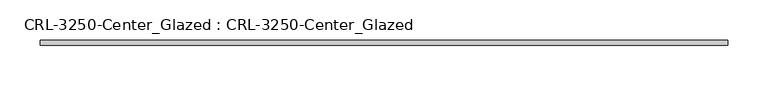
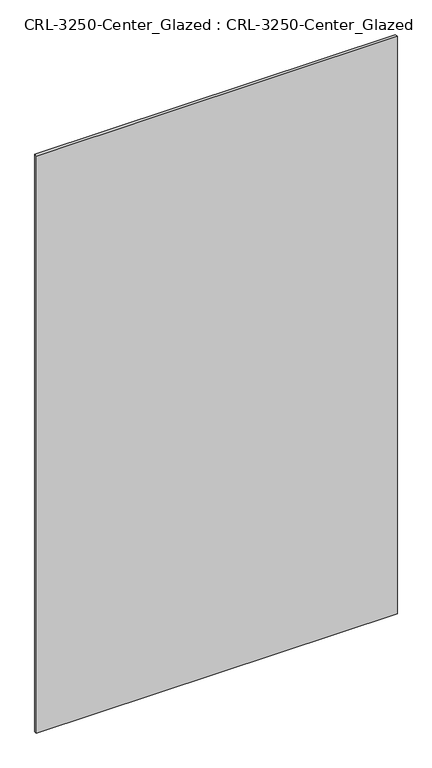
"""IFC4 building model written with IfcOpenShell, lengths in millimetres: plate geometry, CRL-3250-Center_Glazed : CRL-3250-Center_Glazed."""

from ifc_helpers import new_model, si_unit, origin, origin_with_axes, place, context, project, spatial, polyline, outline, extrude, source, transform, mapped, element, save


def crl_3250_center_glazed_crl_3250_center_glazed_8ba6874b(model_context):
    return source(origin(), model_context, "Body", "SweptSolid", [
        extrude(outline(polyline([(428.4448688, -3.1749999), (-428.4448688, -3.1749999), (-428.4448688, 3.1749999), (428.4448688, 3.1749999), (428.4448688, -3.1749999)])), origin_with_axes(), (0.0, 0.0, 1.0), 1447.800003),
    ])


if __name__ == "__main__":
    model = new_model("IFC4")
    model_context = context("Model", 3, world=origin())
    ifc_project = project(units=[si_unit("LENGTHUNIT", "METRE", prefix="MILLI")], contexts=[model_context])
    site = spatial("IfcSite", under=ifc_project)
    building = spatial("IfcBuilding", under=site)
    placement = place(None, origin())
    crl_3250_center_glazed_crl_3250_center_glazed_shape = crl_3250_center_glazed_crl_3250_center_glazed_8ba6874b(model_context)
    element("IfcPlate", 1, ObjectType="CRL-3250-Center_Glazed : CRL-3250-Center_Glazed", at=placement, inside=building, context=model_context, shape_type="MappedRepresentation", body=[
        mapped(crl_3250_center_glazed_crl_3250_center_glazed_shape, transform((0.0, 0.0, 0.0), x_axis=(1.0, 0.0, 0.0), y_axis=(0.0, 1.0, 0.0), z_axis=(0.0, 0.0, 1.0))),
    ])
    save(model, "model.ifc")
